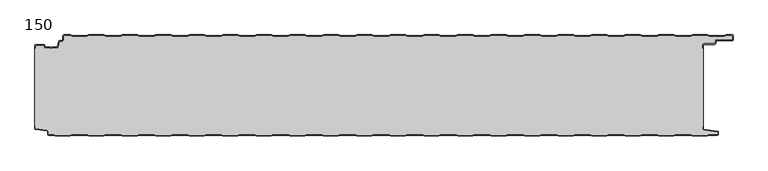
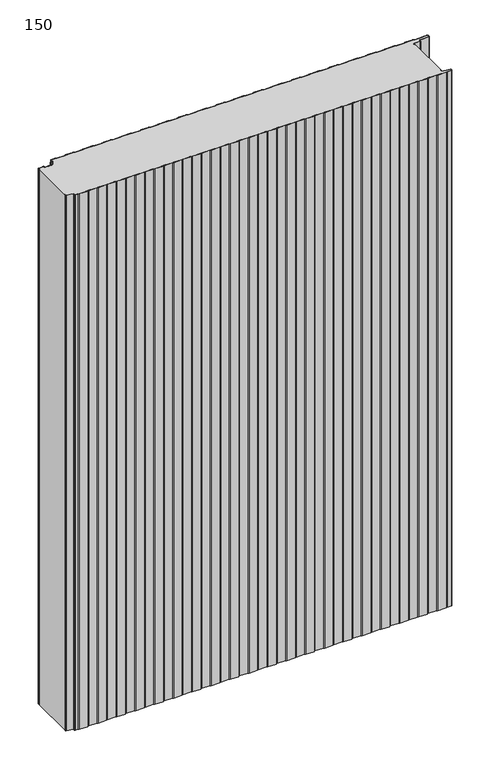
"""IFC4 building model written with IfcOpenShell, lengths in millimetres: plate geometry, 150."""

from ifc_helpers import new_model, si_unit, point, frame_2d, origin, origin_with_axes, place, context, project, spatial, polyline, circle_curve, trimmed, segment, composite_curve, outline, extrude, source, transform, mapped, element, save


def plate_150_b622176f(model_context):
    return source(origin(), model_context, "Body", "SweptSolid", [
        extrude(outline(composite_curve([segment(trimmed(circle_curve(frame_2d((-498.6, -16.2480681)), 1.4), [point((-500.0, -16.2480681))], [point((-498.6, -14.8480681))], False, "CARTESIAN"), True, "CONTINUOUS"), segment(polyline([(-498.6, -14.8480681), (-486.4969094, -14.8480681)]), True, "CONTINUOUS"), segment(trimmed(circle_curve(frame_2d((-486.4969094, -16.2480681)), 1.4), [point((-486.4969094, -14.8480681))], [point((-485.1275334, -15.9568477))], False, "CARTESIAN"), True, "CONTINUOUS"), segment(polyline([(-485.1275334, -15.9568477), (-484.6878192, -18.0244711)]), True, "CONTINUOUS"), segment(trimmed(circle_curve(frame_2d((-484.1011925, -17.8997153)), 0.5997457), [point((-484.6878192, -18.0244711))], [point((-484.1011925, -18.499461))], True, "CARTESIAN"), True, "CONTINUOUS"), segment(polyline([(-484.1011925, -18.499461), (-476.9006569, -18.499461)]), True, "CONTINUOUS"), segment(trimmed(circle_curve(frame_2d((-476.9006569, -19.799946)), 1.300485), [point((-476.9006569, -18.499461))], [point((-475.9808032, -18.8806362))], False, "CARTESIAN"), True, "CONTINUOUS"), segment(trimmed(circle_curve(frame_2d((-475.5877843, -18.5693125)), 0.5013845), [point((-475.9808032, -18.8806362))], [point((-475.2328971, -18.9234896))], True, "CARTESIAN"), True, "CONTINUOUS"), segment(trimmed(circle_curve(frame_2d((-474.2728751, -19.8002001)), 1.3001013), [point((-475.2328971, -18.9234896))], [point((-474.2728751, -18.5000988))], False, "CARTESIAN"), True, "CONTINUOUS"), segment(polyline([(-474.2728751, -18.5000988), (-467.0728572, -18.5000988)]), True, "CONTINUOUS"), segment(trimmed(circle_curve(frame_2d((-467.0728572, -17.9000522)), 0.6000466), [point((-467.0728572, -18.5000988))], [point((-466.4859224, -18.0248059))], True, "CARTESIAN"), True, "CONTINUOUS"), segment(polyline([(-466.4859224, -18.0248059), (-464.8033928, -10.1089305)]), True, "CONTINUOUS"), segment(trimmed(circle_curve(frame_2d((-463.4339847, -10.4)), 1.4), [point((-464.8033928, -10.1089305))], [point((-463.4339847, -9.0))], False, "CARTESIAN"), True, "CONTINUOUS"), segment(polyline([(-463.4339847, -9.0), (-460.4027062, -9.0)]), True, "CONTINUOUS"), segment(trimmed(circle_curve(frame_2d((-460.4027062, -7.1)), 1.9), [point((-460.4027062, -9.0))], [point((-458.5027062, -7.1))], True, "CARTESIAN"), True, "CONTINUOUS"), segment(polyline([(-458.5027062, -7.1), (-458.5027062, -2.0)]), True, "CONTINUOUS"), segment(trimmed(circle_curve(frame_2d((-456.5027062, -2.0)), 2.0), [point((-458.5027062, -2.0))], [point((-456.5027062, 0.0))], False, "CARTESIAN"), True, "CONTINUOUS"), segment(polyline([(-456.5027062, 0.0), (-447.5017452, 0.0), (-444.5017452, -1.0), (-422.5017452, -1.0), (-419.5017452, 0.0), (-397.5017452, 0.0), (-394.5017452, -1.0), (-372.5017452, -1.0), (-369.5017452, 0.0), (-347.5017452, 0.0), (-344.5017452, -1.0), (-322.5017452, -1.0), (-319.5017452, 0.0), (-297.5017452, 0.0), (-294.5017452, -1.0), (-272.5017452, -1.0), (-269.5017452, 0.0), (-247.5017452, 0.0), (-244.5017452, -1.0), (-222.5017452, -1.0), (-219.5017452, 0.0), (-197.5017452, 0.0), (-194.5017452, -1.0), (-172.5017452, -1.0), (-169.5017452, 0.0), (-147.5017452, 0.0), (-144.5017452, -1.0), (-122.5017452, -1.0), (-119.5017452, 0.0), (-97.5017452, 0.0), (-94.5017452, -1.0), (-72.5017452, -1.0), (-69.5017452, 0.0), (-47.5017452, 0.0), (-44.5017452, -1.0), (-22.5017452, -1.0), (-19.5017452, 0.0), (2.4982548, 0.0), (5.4982548, -1.0), (27.4982548, -1.0), (30.4982548, 0.0), (52.4982548, 0.0), (55.4982548, -1.0), (77.4982548, -1.0), (80.4982548, 0.0), (102.4982548, 0.0), (105.4982548, -1.0), (127.4982548, -1.0), (130.4982548, 0.0), (152.4982548, 0.0), (155.4982548, -1.0), (177.4982548, -1.0), (180.4982548, 0.0), (202.4982548, 0.0), (205.4982548, -1.0), (227.4982548, -1.0), (230.4982548, 0.0), (252.4982548, 0.0), (255.4982548, -1.0), (277.4982548, -1.0), (280.4982548, 0.0), (302.4982548, 0.0), (305.4982548, -1.0), (327.4982548, -1.0), (330.4982548, 0.0), (352.4982548, 0.0), (355.4982548, -1.0), (377.4982548, -1.0), (380.4982548, 0.0), (402.4982548, 0.0), (405.4982548, -1.0), (427.4982548, -1.0), (430.4982548, 0.0), (452.4982548, 0.0), (455.4982548, -1.0), (477.4982548, -1.0), (480.4982548, 0.0), (502.4982548, 0.0), (505.4982548, -1.0), (527.4982548, -1.0), (530.4982548, 0.0), (539.4972938, 0.0)]), True, "CONTINUOUS"), segment(trimmed(circle_curve(frame_2d((539.4972938, -2.0)), 2.0), [point((539.4972938, 0.0))], [point((541.0, -0.6801992))], False, "CARTESIAN"), True, "CONTINUOUS"), segment(polyline([(541.0, -0.6801992), (541.0, -8.0014566)]), True, "CONTINUOUS"), segment(trimmed(circle_curve(frame_2d((539.7972938, -6.8)), 1.7), [point((541.0, -8.0014566))], [point((539.7972938, -8.5))], False, "CARTESIAN"), True, "CONTINUOUS"), segment(polyline([(539.7972938, -8.5), (517.0135311, -8.5)]), True, "CONTINUOUS"), segment(trimmed(circle_curve(frame_2d((517.0135311, -9.9)), 1.4), [point((517.0135311, -8.5))], [point((515.6441245, -9.6089236))], True, "CARTESIAN"), True, "CONTINUOUS"), segment(polyline([(515.6441245, -9.6089236), (514.8724972, -13.2391445)]), True, "CONTINUOUS"), segment(trimmed(circle_curve(frame_2d((513.5030906, -12.9480681)), 1.4), [point((514.8724972, -13.2391445))], [point((513.5030906, -14.3480681))], False, "CARTESIAN"), True, "CONTINUOUS"), segment(polyline([(513.5030906, -14.3480681), (497.9, -14.3480681)]), True, "CONTINUOUS"), segment(trimmed(circle_curve(frame_2d((497.9, -15.7480681)), 1.4), [point((497.9, -14.3480681))], [point((496.5, -15.7480681))], True, "CARTESIAN"), True, "CONTINUOUS"), segment(polyline([(496.5, -15.7480681), (496.5, -20.2482392), (495.7, -20.2482392), (495.7, -15.7480681)]), True, "CONTINUOUS"), segment(trimmed(circle_curve(frame_2d((497.9, -15.7480681)), 2.2), [point((495.7, -15.7480681))], [point((497.9, -13.5480681))], False, "CARTESIAN"), True, "CONTINUOUS"), segment(polyline([(497.9, -13.5480681), (513.5030906, -13.5480681)]), True, "CONTINUOUS"), segment(trimmed(circle_curve(frame_2d((513.5030906, -12.9480681)), 0.6), [point((513.5030906, -13.5480681))], [point((514.0899792, -13.0728151))], True, "CARTESIAN"), True, "CONTINUOUS"), segment(polyline([(514.0899792, -13.0728151), (514.8616064, -9.4425943)]), True, "CONTINUOUS"), segment(trimmed(circle_curve(frame_2d((517.0135311, -9.9)), 2.2), [point((514.8616064, -9.4425943))], [point((517.0135311, -7.7))], False, "CARTESIAN"), True, "CONTINUOUS"), segment(polyline([(517.0135311, -7.7), (539.7972938, -7.7)]), True, "CONTINUOUS"), segment(trimmed(circle_curve(frame_2d((539.7972938, -6.8)), 0.9), [point((539.7972938, -7.7))], [point((540.6972938, -6.8))], True, "CARTESIAN"), True, "CONTINUOUS"), segment(polyline([(540.6972938, -6.8), (540.6972938, -2.0)]), True, "CONTINUOUS"), segment(trimmed(circle_curve(frame_2d((539.4972938, -2.0)), 1.2), [point((540.6972938, -2.0))], [point((539.4972938, -0.8))], True, "CARTESIAN"), True, "CONTINUOUS"), segment(polyline([(539.4972938, -0.8), (530.6280769, -0.8), (527.6280769, -1.8), (505.3684327, -1.8), (502.3684327, -0.8), (480.6280769, -0.8), (477.6280769, -1.8), (455.3684327, -1.8), (452.3684327, -0.8), (430.6280769, -0.8), (427.6280769, -1.8), (405.3684327, -1.8), (402.3684327, -0.8), (380.6280769, -0.8), (377.6280769, -1.8), (355.3684327, -1.8), (352.3684327, -0.8), (330.6280769, -0.8), (327.6280769, -1.8), (305.3684327, -1.8), (302.3684327, -0.8), (280.6280769, -0.8), (277.6280769, -1.8), (255.3684327, -1.8), (252.3684327, -0.8), (230.6280769, -0.8), (227.6280769, -1.8), (205.3684327, -1.8), (202.3684327, -0.8), (180.6280769, -0.8), (177.6280769, -1.8), (155.3684327, -1.8), (152.3684327, -0.8), (130.6280769, -0.8), (127.6280769, -1.8), (105.3684327, -1.8), (102.3684327, -0.8), (80.6280769, -0.8), (77.6280769, -1.8), (55.3684327, -1.8), (52.3684327, -0.8), (30.6280769, -0.8), (27.6280769, -1.8), (5.3684327, -1.8), (2.3684327, -0.8), (-19.3719231, -0.8), (-22.3719231, -1.8), (-44.6315673, -1.8), (-47.6315673, -0.8), (-69.3719231, -0.8), (-72.3719231, -1.8), (-94.6315673, -1.8), (-97.6315673, -0.8), (-119.3719231, -0.8), (-122.3719231, -1.8), (-144.6315673, -1.8), (-147.6315673, -0.8), (-169.3719231, -0.8), (-172.3719231, -1.8), (-194.6315673, -1.8), (-197.6315673, -0.8), (-219.3719231, -0.8), (-222.3719231, -1.8), (-244.6315673, -1.8), (-247.6315673, -0.8), (-269.3719231, -0.8), (-272.3719231, -1.8), (-294.6315673, -1.8), (-297.6315673, -0.8), (-319.3719231, -0.8), (-322.3719231, -1.8), (-344.6315673, -1.8), (-347.6315673, -0.8), (-369.3719231, -0.8), (-372.3719231, -1.8), (-394.6315673, -1.8), (-397.6315673, -0.8), (-419.3719231, -0.8), (-422.3719231, -1.8), (-444.6315673, -1.8), (-447.6315673, -0.8), (-456.5027062, -0.8)]), True, "CONTINUOUS"), segment(trimmed(circle_curve(frame_2d((-456.5027062, -2.0)), 1.2), [point((-456.5027062, -0.8))], [point((-457.7027062, -2.0))], True, "CARTESIAN"), True, "CONTINUOUS"), segment(polyline([(-457.7027062, -2.0), (-457.7027062, -7.1)]), True, "CONTINUOUS"), segment(trimmed(circle_curve(frame_2d((-460.4027062, -7.1)), 2.7), [point((-457.7027062, -7.1))], [point((-460.4027062, -9.8))], False, "CARTESIAN"), True, "CONTINUOUS"), segment(polyline([(-460.4027062, -9.8), (-463.4339847, -9.8)]), True, "CONTINUOUS"), segment(trimmed(circle_curve(frame_2d((-463.4339847, -10.4)), 0.6), [point((-463.4339847, -9.8))], [point((-464.0208733, -10.275253))], True, "CARTESIAN"), True, "CONTINUOUS"), segment(polyline([(-464.0208733, -10.275253), (-465.7034335, -18.1910764)]), True, "CONTINUOUS"), segment(trimmed(circle_curve(frame_2d((-467.0728401, -17.9)), 1.4), [point((-465.7034335, -18.1910764))], [point((-467.0728401, -19.3))], False, "CARTESIAN"), True, "CONTINUOUS"), segment(polyline([(-467.0728401, -19.3), (-474.5122154, -19.3)]), True, "CONTINUOUS"), segment(trimmed(circle_curve(frame_2d((-475.5869697, -18.5686292)), 1.3), [point((-474.5122154, -19.3))], [point((-476.6617239, -19.3))], False, "CARTESIAN"), True, "CONTINUOUS"), segment(polyline([(-476.6617239, -19.3), (-484.1010993, -19.3)]), True, "CONTINUOUS"), segment(trimmed(circle_curve(frame_2d((-484.1010993, -17.9)), 1.4), [point((-484.1010993, -19.3))], [point((-485.4705059, -18.1910764))], False, "CARTESIAN"), True, "CONTINUOUS"), segment(polyline([(-485.4705059, -18.1910764), (-485.9100208, -16.1233211)]), True, "CONTINUOUS"), segment(trimmed(circle_curve(frame_2d((-486.4969094, -16.2480681)), 0.6), [point((-485.9100208, -16.1233211))], [point((-486.4969094, -15.6480681))], True, "CARTESIAN"), True, "CONTINUOUS"), segment(polyline([(-486.4969094, -15.6480681), (-498.6, -15.6480681)]), True, "CONTINUOUS"), segment(trimmed(circle_curve(frame_2d((-498.6, -16.2480681)), 0.6), [point((-498.6, -15.6480681))], [point((-499.2, -16.2480681))], True, "CARTESIAN"), True, "CONTINUOUS"), segment(polyline([(-499.2, -16.2480681), (-499.2, -20.2482392), (-500.0, -20.2482392), (-500.0, -16.2480681)]), True, "CONTINUOUS")], self_intersect=False)), origin_with_axes(), (0.0, 0.0, 1.0), 1500.0),
        extrude(outline(composite_curve([segment(polyline([(-500.0, -136.3232445), (-500.0, -20.2482392), (-499.2, -20.2482392), (-499.2, -16.2480681)]), True, "CONTINUOUS"), segment(trimmed(circle_curve(frame_2d((-498.6, -16.2480681)), 0.6), [point((-499.2, -16.2480681))], [point((-498.6, -15.6480681))], False, "CARTESIAN"), True, "CONTINUOUS"), segment(polyline([(-498.6, -15.6480681), (-486.4969094, -15.6480681)]), True, "CONTINUOUS"), segment(trimmed(circle_curve(frame_2d((-486.4969094, -16.2480681)), 0.6), [point((-486.4969094, -15.6480681))], [point((-485.9100208, -16.1233211))], False, "CARTESIAN"), True, "CONTINUOUS"), segment(polyline([(-485.9100208, -16.1233211), (-485.4705059, -18.1910764)]), True, "CONTINUOUS"), segment(trimmed(circle_curve(frame_2d((-484.1010993, -17.9)), 1.4), [point((-485.4705059, -18.1910764))], [point((-484.1010993, -19.3))], True, "CARTESIAN"), True, "CONTINUOUS"), segment(polyline([(-484.1010993, -19.3), (-476.6617239, -19.3)]), True, "CONTINUOUS"), segment(trimmed(circle_curve(frame_2d((-475.5869697, -18.5686292)), 1.3), [point((-476.6617239, -19.3))], [point((-474.5122154, -19.3))], True, "CARTESIAN"), True, "CONTINUOUS"), segment(polyline([(-474.5122154, -19.3), (-467.0728401, -19.3)]), True, "CONTINUOUS"), segment(trimmed(circle_curve(frame_2d((-467.0728401, -17.9)), 1.4), [point((-467.0728401, -19.3))], [point((-465.7034335, -18.1910764))], True, "CARTESIAN"), True, "CONTINUOUS"), segment(polyline([(-465.7034335, -18.1910764), (-464.0208733, -10.275253)]), True, "CONTINUOUS"), segment(trimmed(circle_curve(frame_2d((-463.4339847, -10.4)), 0.6), [point((-464.0208733, -10.275253))], [point((-463.4339847, -9.8))], False, "CARTESIAN"), True, "CONTINUOUS"), segment(polyline([(-463.4339847, -9.8), (-460.4027062, -9.8)]), True, "CONTINUOUS"), segment(trimmed(circle_curve(frame_2d((-460.4027062, -7.1)), 2.7), [point((-460.4027062, -9.8))], [point((-457.7027062, -7.1))], True, "CARTESIAN"), True, "CONTINUOUS"), segment(polyline([(-457.7027062, -7.1), (-457.7027062, -2.0)]), True, "CONTINUOUS"), segment(trimmed(circle_curve(frame_2d((-456.5027062, -2.0)), 1.2), [point((-457.7027062, -2.0))], [point((-456.5027062, -0.8))], False, "CARTESIAN"), True, "CONTINUOUS"), segment(polyline([(-456.5027062, -0.8), (-447.6315673, -0.8), (-444.6315673, -1.8), (-422.3719231, -1.8), (-419.3719231, -0.8), (-397.6315673, -0.8), (-394.6315673, -1.8), (-372.3719231, -1.8), (-369.3719231, -0.8), (-347.6315673, -0.8), (-344.6315673, -1.8), (-322.3719231, -1.8), (-319.3719231, -0.8), (-297.6315673, -0.8), (-294.6315673, -1.8), (-272.3719231, -1.8), (-269.3719231, -0.8), (-247.6315673, -0.8), (-244.6315673, -1.8), (-222.3719231, -1.8), (-219.3719231, -0.8), (-197.6315673, -0.8), (-194.6315673, -1.8), (-172.3719231, -1.8), (-169.3719231, -0.8), (-147.6315673, -0.8), (-144.6315673, -1.8), (-122.3719231, -1.8), (-119.3719231, -0.8), (-97.6315673, -0.8), (-94.6315673, -1.8), (-72.3719231, -1.8), (-69.3719231, -0.8), (-47.6315673, -0.8), (-44.6315673, -1.8), (-22.3719231, -1.8), (-19.3719231, -0.8), (2.3684327, -0.8), (5.3684327, -1.8), (27.6280769, -1.8), (30.6280769, -0.8), (52.3684327, -0.8), (55.3684327, -1.8), (77.6280769, -1.8), (80.6280769, -0.8), (102.3684327, -0.8), (105.3684327, -1.8), (127.6280769, -1.8), (130.6280769, -0.8), (152.3684327, -0.8), (155.3684327, -1.8), (177.6280769, -1.8), (180.6280769, -0.8), (202.3684327, -0.8), (205.3684327, -1.8), (227.6280769, -1.8), (230.6280769, -0.8), (252.3684327, -0.8), (255.3684327, -1.8), (277.6280769, -1.8), (280.6280769, -0.8), (302.3684327, -0.8), (305.3684327, -1.8), (327.6280769, -1.8), (330.6280769, -0.8), (352.3684327, -0.8), (355.3684327, -1.8), (377.6280769, -1.8), (380.6280769, -0.8), (402.3684327, -0.8), (405.3684327, -1.8), (427.6280769, -1.8), (430.6280769, -0.8), (452.3684327, -0.8), (455.3684327, -1.8), (477.6280769, -1.8), (480.6280769, -0.8), (502.3684327, -0.8), (505.3684327, -1.8), (527.6280769, -1.8), (530.6280769, -0.8), (539.4972938, -0.8)]), True, "CONTINUOUS"), segment(trimmed(circle_curve(frame_2d((539.4972938, -2.0)), 1.2), [point((539.4972938, -0.8))], [point((540.6972938, -2.0))], False, "CARTESIAN"), True, "CONTINUOUS"), segment(polyline([(540.6972938, -2.0), (540.6972938, -6.8)]), True, "CONTINUOUS"), segment(trimmed(circle_curve(frame_2d((539.7972938, -6.8)), 0.9), [point((540.6972938, -6.8))], [point((539.7972938, -7.7))], False, "CARTESIAN"), True, "CONTINUOUS"), segment(polyline([(539.7972938, -7.7), (517.0135311, -7.7)]), True, "CONTINUOUS"), segment(trimmed(circle_curve(frame_2d((517.0135311, -9.9)), 2.2), [point((517.0135311, -7.7))], [point((514.8616064, -9.4425943))], True, "CARTESIAN"), True, "CONTINUOUS"), segment(polyline([(514.8616064, -9.4425943), (514.0899792, -13.0728151)]), True, "CONTINUOUS"), segment(trimmed(circle_curve(frame_2d((513.5030906, -12.9480681)), 0.6), [point((514.0899792, -13.0728151))], [point((513.5030906, -13.5480681))], False, "CARTESIAN"), True, "CONTINUOUS"), segment(polyline([(513.5030906, -13.5480681), (497.9, -13.5480681)]), True, "CONTINUOUS"), segment(trimmed(circle_curve(frame_2d((497.9, -15.7480681)), 2.2), [point((497.9, -13.5480681))], [point((495.7, -15.7480681))], True, "CARTESIAN"), True, "CONTINUOUS"), segment(polyline([(495.7, -15.7480681), (495.7, -20.2482392), (496.5, -20.2482392), (496.5, -136.3232445), (495.7, -136.3232445), (495.7, -140.7275325)]), True, "CONTINUOUS"), segment(trimmed(circle_curve(frame_2d((497.2, -140.7275325)), 1.5), [point((495.7, -140.7275325))], [point((496.9911207, -142.2129178))], True, "CARTESIAN"), True, "CONTINUOUS"), segment(polyline([(496.9911207, -142.2129178), (517.69005, -145.1236622)]), True, "CONTINUOUS"), segment(trimmed(circle_curve(frame_2d((517.6075495, -145.7103403)), 0.5924505), [point((517.69005, -145.1236622))], [point((518.2, -145.7103403))], False, "CARTESIAN"), True, "CONTINUOUS"), segment(polyline([(518.2, -145.7103403), (518.2, -148.7)]), True, "CONTINUOUS"), segment(trimmed(circle_curve(frame_2d((517.7, -148.7)), 0.5), [point((518.2, -148.7))], [point((517.7, -149.2))], False, "CARTESIAN"), True, "CONTINUOUS"), segment(polyline([(517.7, -149.2), (505.3684327, -149.2), (502.3684327, -150.2), (480.3684327, -150.2), (477.3684327, -149.2), (455.3684327, -149.2), (452.3684327, -150.2), (430.3684327, -150.2), (427.3684327, -149.2), (405.3684327, -149.2), (402.3684327, -150.2), (380.3684327, -150.2), (377.3684327, -149.2), (355.3684327, -149.2), (352.3684327, -150.2), (330.3684327, -150.2), (327.3684327, -149.2), (305.3684327, -149.2), (302.3684327, -150.2), (280.3684327, -150.2), (277.3684327, -149.2), (255.3684327, -149.2), (252.3684327, -150.2), (230.3684327, -150.2), (227.3684327, -149.2), (205.3684327, -149.2), (202.3684327, -150.2), (180.3684327, -150.2), (177.3684327, -149.2), (155.3684327, -149.2), (152.3684327, -150.2), (130.3684327, -150.2), (127.3684327, -149.2), (105.3684327, -149.2), (102.3684327, -150.2), (80.3684327, -150.2), (77.3684327, -149.2), (55.3684327, -149.2), (52.3684327, -150.2), (30.3684327, -150.2), (27.3684327, -149.2), (5.3684327, -149.2), (2.3684327, -150.2), (-19.6315673, -150.2), (-22.6315673, -149.2), (-44.6315673, -149.2), (-47.6315673, -150.2), (-69.6315673, -150.2), (-72.6315673, -149.2), (-94.6315673, -149.2), (-97.6315673, -150.2), (-119.6315673, -150.2), (-122.6315673, -149.2), (-144.6315673, -149.2), (-147.6315673, -150.2), (-169.6315673, -150.2), (-172.6315673, -149.2), (-194.6315673, -149.2), (-197.6315673, -150.2), (-219.6315673, -150.2), (-222.6315673, -149.2), (-244.6315673, -149.2), (-247.6315673, -150.2), (-269.6315673, -150.2), (-272.6315673, -149.2), (-294.6315673, -149.2), (-297.6315673, -150.2), (-319.6315673, -150.2), (-322.6315673, -149.2), (-344.6315673, -149.2), (-347.6315673, -150.2), (-369.6315673, -150.2), (-372.6315673, -149.2), (-394.6315673, -149.2), (-397.6315673, -150.2), (-419.6315673, -150.2), (-422.6315673, -149.2), (-444.6315673, -149.2), (-447.6315673, -150.2), (-469.6315673, -150.2), (-472.6315673, -149.2), (-479.7, -149.2)]), True, "CONTINUOUS"), segment(trimmed(circle_curve(frame_2d((-479.7, -148.7)), 0.5), [point((-479.7, -149.2))], [point((-480.2, -148.7))], False, "CARTESIAN"), True, "CONTINUOUS"), segment(polyline([(-480.2, -148.7), (-480.2, -144.6035317)]), True, "CONTINUOUS"), segment(trimmed(circle_curve(frame_2d((-481.7, -144.6035317)), 1.5), [point((-480.2, -144.6035317))], [point((-481.4911207, -143.1181464))], True, "CARTESIAN"), True, "CONTINUOUS"), segment(polyline([(-481.4911207, -143.1181464), (-498.6835517, -140.7004962)]), True, "CONTINUOUS"), segment(trimmed(circle_curve(frame_2d((-498.6, -140.1063421)), 0.6), [point((-498.6835517, -140.7004962))], [point((-499.2, -140.1063421))], False, "CARTESIAN"), True, "CONTINUOUS"), segment(polyline([(-499.2, -140.1063421), (-499.2, -136.3232445), (-500.0, -136.3232445)]), True, "CONTINUOUS")], self_intersect=False)), origin_with_axes(), (0.0, 0.0, 1.0), 1500.0),
        extrude(outline(composite_curve([segment(polyline([(-500.0, -136.3232445), (-499.2, -136.3232445), (-499.2, -140.1063421)]), True, "CONTINUOUS"), segment(trimmed(circle_curve(frame_2d((-498.6, -140.1063421)), 0.6), [point((-499.2, -140.1063421))], [point((-498.6835517, -140.7004962))], True, "CARTESIAN"), True, "CONTINUOUS"), segment(polyline([(-498.6835517, -140.7004962), (-481.4911207, -143.1181464)]), True, "CONTINUOUS"), segment(trimmed(circle_curve(frame_2d((-481.7, -144.6035317)), 1.5), [point((-481.4911207, -143.1181464))], [point((-480.2, -144.6035317))], False, "CARTESIAN"), True, "CONTINUOUS"), segment(polyline([(-480.2, -144.6035317), (-480.2, -148.7)]), True, "CONTINUOUS"), segment(trimmed(circle_curve(frame_2d((-479.7, -148.7)), 0.5), [point((-480.2, -148.7))], [point((-479.7, -149.2))], True, "CARTESIAN"), True, "CONTINUOUS"), segment(polyline([(-479.7, -149.2), (-472.6315673, -149.2), (-469.6315673, -150.2), (-447.6315673, -150.2), (-444.6315673, -149.2), (-422.6315673, -149.2), (-419.6315673, -150.2), (-397.6315673, -150.2), (-394.6315673, -149.2), (-372.6315673, -149.2), (-369.6315673, -150.2), (-347.6315673, -150.2), (-344.6315673, -149.2), (-322.6315673, -149.2), (-319.6315673, -150.2), (-297.6315673, -150.2), (-294.6315673, -149.2), (-272.6315673, -149.2), (-269.6315673, -150.2), (-247.6315673, -150.2), (-244.6315673, -149.2), (-222.6315673, -149.2), (-219.6315673, -150.2), (-197.6315673, -150.2), (-194.6315673, -149.2), (-172.6315673, -149.2), (-169.6315673, -150.2), (-147.6315673, -150.2), (-144.6315673, -149.2), (-122.6315673, -149.2), (-119.6315673, -150.2), (-97.6315673, -150.2), (-94.6315673, -149.2), (-72.6315673, -149.2), (-69.6315673, -150.2), (-47.6315673, -150.2), (-44.6315673, -149.2), (-22.6315673, -149.2), (-19.6315673, -150.2), (2.3684327, -150.2), (5.3684327, -149.2), (27.3684327, -149.2), (30.3684327, -150.2), (52.3684327, -150.2), (55.3684327, -149.2), (77.3684327, -149.2), (80.3684327, -150.2), (102.3684327, -150.2), (105.3684327, -149.2), (127.3684327, -149.2), (130.3684327, -150.2), (152.3684327, -150.2), (155.3684327, -149.2), (177.3684327, -149.2), (180.3684327, -150.2), (202.3684327, -150.2), (205.3684327, -149.2), (227.3684327, -149.2), (230.3684327, -150.2), (252.3684327, -150.2), (255.3684327, -149.2), (277.3684327, -149.2), (280.3684327, -150.2), (302.3684327, -150.2), (305.3684327, -149.2), (327.3684327, -149.2), (330.3684327, -150.2), (352.3684327, -150.2), (355.3684327, -149.2), (377.3684327, -149.2), (380.3684327, -150.2), (402.3684327, -150.2), (405.3684327, -149.2), (427.3684327, -149.2), (430.3684327, -150.2), (452.3684327, -150.2), (455.3684327, -149.2), (477.3684327, -149.2), (480.3684327, -150.2), (502.3684327, -150.2), (505.3684327, -149.2), (517.7, -149.2)]), True, "CONTINUOUS"), segment(trimmed(circle_curve(frame_2d((517.7, -148.7)), 0.5), [point((517.7, -149.2))], [point((518.2, -148.7))], True, "CARTESIAN"), True, "CONTINUOUS"), segment(polyline([(518.2, -148.7), (518.2, -145.7103403)]), True, "CONTINUOUS"), segment(trimmed(circle_curve(frame_2d((517.6075495, -145.7103403)), 0.5924505), [point((518.2, -145.7103403))], [point((517.69005, -145.1236622))], True, "CARTESIAN"), True, "CONTINUOUS"), segment(polyline([(517.69005, -145.1236622), (496.9911207, -142.2129178)]), True, "CONTINUOUS"), segment(trimmed(circle_curve(frame_2d((497.2, -140.7275325)), 1.5), [point((496.9911207, -142.2129178))], [point((495.7, -140.7275325))], False, "CARTESIAN"), True, "CONTINUOUS"), segment(polyline([(495.7, -140.7275325), (495.7, -136.3232445), (496.5, -136.3232445), (496.5, -140.7275325)]), True, "CONTINUOUS"), segment(trimmed(circle_curve(frame_2d((497.2, -140.7275325)), 0.7), [point((496.5, -140.7275325))], [point((497.102523, -141.4207123))], True, "CARTESIAN"), True, "CONTINUOUS"), segment(polyline([(497.102523, -141.4207123), (517.8810287, -144.342647)]), True, "CONTINUOUS"), segment(trimmed(circle_curve(frame_2d((517.7, -145.6299809)), 1.3), [point((517.8810287, -144.342647))], [point((519.0, -145.6299809))], False, "CARTESIAN"), True, "CONTINUOUS"), segment(polyline([(519.0, -145.6299809), (519.0, -148.7)]), True, "CONTINUOUS"), segment(trimmed(circle_curve(frame_2d((517.7, -148.7)), 1.3), [point((519.0, -148.7))], [point((517.7, -150.0))], False, "CARTESIAN"), True, "CONTINUOUS"), segment(polyline([(517.7, -150.0), (505.4982548, -150.0), (502.4982548, -151.0), (480.2386105, -151.0), (477.2386105, -150.0), (455.4982548, -150.0), (452.4982548, -151.0), (430.2386105, -151.0), (427.2386105, -150.0), (405.4982548, -150.0), (402.4982548, -151.0), (380.2386105, -151.0), (377.2386105, -150.0), (355.4982548, -150.0), (352.4982548, -151.0), (330.2386105, -151.0), (327.2386105, -150.0), (305.4982548, -150.0), (302.4982548, -151.0), (280.2386105, -151.0), (277.2386105, -150.0), (255.4982548, -150.0), (252.4982548, -151.0), (230.2386105, -151.0), (227.2386105, -150.0), (205.4982548, -150.0), (202.4982548, -151.0), (180.2386105, -151.0), (177.2386105, -150.0), (155.4982548, -150.0), (152.4982548, -151.0), (130.2386105, -151.0), (127.2386105, -150.0), (105.4982548, -150.0), (102.4982548, -151.0), (80.2386105, -151.0), (77.2386105, -150.0), (55.4982548, -150.0), (52.4982548, -151.0), (30.2386105, -151.0), (27.2386105, -150.0), (5.4982548, -150.0), (2.4982548, -151.0), (-19.7613895, -151.0), (-22.7613895, -150.0), (-44.5017452, -150.0), (-47.5017452, -151.0), (-69.7613895, -151.0), (-72.7613895, -150.0), (-94.5017452, -150.0), (-97.5017452, -151.0), (-119.7613895, -151.0), (-122.7613895, -150.0), (-144.5017452, -150.0), (-147.5017452, -151.0), (-169.7613895, -151.0), (-172.7613895, -150.0), (-194.5017452, -150.0), (-197.5017452, -151.0), (-219.7613895, -151.0), (-222.7613895, -150.0), (-244.5017452, -150.0), (-247.5017452, -151.0), (-269.7613895, -151.0), (-272.7613895, -150.0), (-294.5017452, -150.0), (-297.5017452, -151.0), (-319.7613895, -151.0), (-322.7613895, -150.0), (-344.5017452, -150.0), (-347.5017452, -151.0), (-369.7613895, -151.0), (-372.7613895, -150.0), (-394.5017452, -150.0), (-397.5017452, -151.0), (-419.7613895, -151.0), (-422.7613895, -150.0), (-444.5017452, -150.0), (-447.5017452, -151.0), (-469.7613895, -151.0), (-472.7613895, -150.0), (-479.7, -150.0)]), True, "CONTINUOUS"), segment(trimmed(circle_curve(frame_2d((-479.7, -148.7)), 1.3), [point((-479.7, -150.0))], [point((-481.0, -148.7))], False, "CARTESIAN"), True, "CONTINUOUS"), segment(polyline([(-481.0, -148.7), (-481.0, -144.6035317)]), True, "CONTINUOUS"), segment(trimmed(circle_curve(frame_2d((-481.7, -144.6035317)), 0.7), [point((-481.0, -144.6035317))], [point((-481.602523, -143.9103519))], True, "CARTESIAN"), True, "CONTINUOUS"), segment(polyline([(-481.602523, -143.9103519), (-498.8810287, -141.4805976)]), True, "CONTINUOUS"), segment(trimmed(circle_curve(frame_2d((-498.7, -140.1932637)), 1.3), [point((-498.8810287, -141.4805976))], [point((-500.0, -140.1932637))], False, "CARTESIAN"), True, "CONTINUOUS"), segment(polyline([(-500.0, -140.1932637), (-500.0, -136.3232445)]), True, "CONTINUOUS")], self_intersect=False)), origin_with_axes(), (0.0, 0.0, 1.0), 1500.0),
    ])


if __name__ == "__main__":
    model = new_model("IFC4")
    model_context = context("Model", 3, world=origin())
    ifc_project = project(units=[si_unit("LENGTHUNIT", "METRE", prefix="MILLI")], contexts=[model_context])
    site = spatial("IfcSite", under=ifc_project)
    building = spatial("IfcBuilding", under=site)
    placement = place(None, origin())
    plate_150_shape = plate_150_b622176f(model_context)
    element("IfcPlate", 1, ObjectType="150", at=placement, inside=building, context=model_context, shape_type="MappedRepresentation", body=[
        mapped(plate_150_shape, transform((0.0, 0.0, 0.0), x_axis=(1.0, 0.0, 0.0), y_axis=(0.0, 1.0, 0.0), z_axis=(0.0, 0.0, 1.0))),
    ])
    save(model, "model.ifc")
